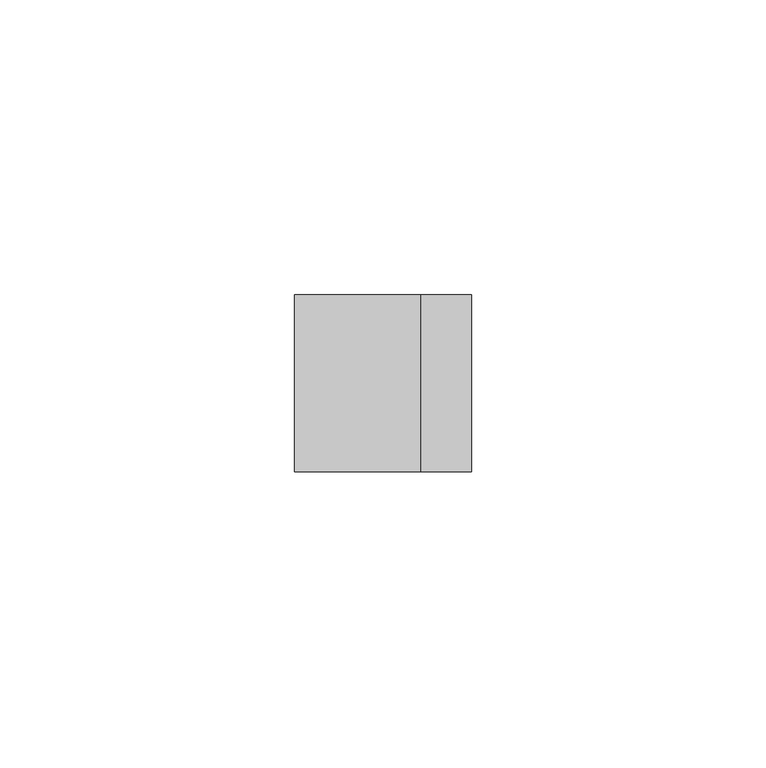
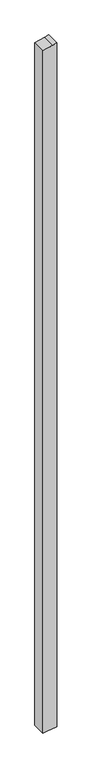
"""IFC4 building model written with IfcOpenShell, lengths in millimetres: member geometry."""

from ifc_helpers import new_model, si_unit, frame, origin, place, context, project, spatial, polyline, outline, extrude, source, transform, mapped, element, save


def member_e300b3b2(model_context):
    return source(origin(), model_context, "Body", "SweptSolid", [
        extrude(outline(polyline([(3.1373334, 15.0), (0.8518543, 6.4704761), (-4.9011424, -15.0), (-1576.1741113, -15.0), (-1575.0508867, -6.7259094), (-1572.1015506, 15.0), (3.1373334, 15.0)])), frame((0.0, -15.0, 0.0), z_axis=(0.0, 1.0, 0.0), x_axis=(0.0, 0.0, 1.0)), (0.0, 0.0, 1.0), 30.0),
    ])


if __name__ == "__main__":
    model = new_model("IFC4")
    model_context = context("Model", 3, world=origin())
    ifc_project = project(units=[si_unit("LENGTHUNIT", "METRE", prefix="MILLI")], contexts=[model_context])
    site = spatial("IfcSite", under=ifc_project)
    building = spatial("IfcBuilding", under=site)
    placement = place(None, origin())
    member_shape = member_e300b3b2(model_context)
    element("IfcMember", 1, at=placement, inside=building, context=model_context, shape_type="MappedRepresentation", body=[
        mapped(member_shape, transform((0.0, 0.0, 0.0), x_axis=(1.0, 0.0, 0.0), y_axis=(0.0, 1.0, 0.0), z_axis=(0.0, 0.0, 1.0))),
    ])
    save(model, "model.ifc")
